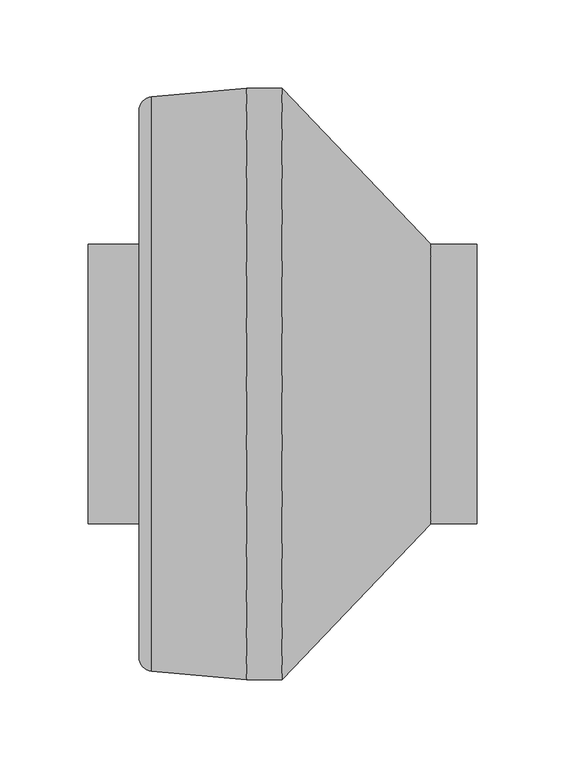
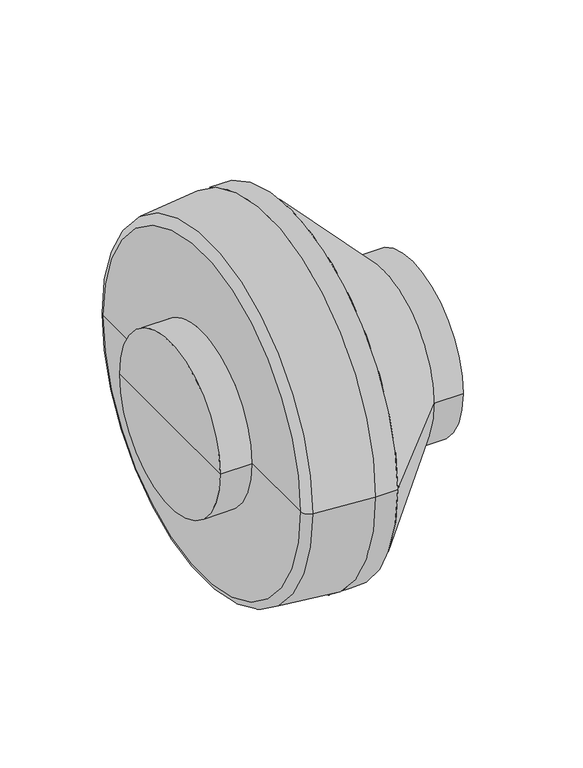
"""IFC4 building model written with IfcOpenShell, lengths in millimetres: proxy geometry."""

from ifc_helpers import new_model, si_unit, point, frame, origin, place, context, project, spatial, polyline, circle_curve, ellipse_curve, trimmed, source, transform, mapped, element, save
from ifc_brep_helpers import plane_surface, cylinder_surface, revolved_surface, advanced_brep


def mechanical_equipment_596ff99c(model_context):
    return source(origin(), model_context, "Body", "AdvancedBrep", [
        advanced_brep(
        [(-110.5, 0.0, 0.0), (-110.5, 79.5, 0.0), (-110.5, -79.5, 0.0), (110.5, -79.5, 0.0), (110.5, 79.5, 0.0), (110.5, 0.0, 0.0), (84.5, -79.5, 0.0), (84.5, 79.5, 0.0), (-74.3266251, -163.1706526, 0.0), (-74.3266251, 163.1706526, 0.0), (-20.375, 168.0856458, 0.0), (-20.375, -168.0856458, 0.0), (-81.5, -79.5, 0.0), (-81.5, 79.5, 0.0), (-81.5, 155.272008, 0.0), (-81.5, -155.272008, 0.0), (-0.2249669, -168.0856458, 0.0), (-0.2249669, 168.0856458, 0.0)],
        [
            (0, 1),
            (1, 2, circle_curve(frame((-110.5, 0.0, 0.0), z_axis=(-1.0, 0.0, 0.0), x_axis=(0.0, 1.0, 0.0)), 79.5)),
            (2, 0),
            (2, 1, circle_curve(frame((-110.5, 0.0, 0.0), z_axis=(-1.0, 0.0, 0.0), x_axis=(0.0, 1.0, 0.0)), 79.5)),
            (3, 4, circle_curve(frame((110.5, 0.0, 0.0), z_axis=(1.0, 0.0, 0.0), x_axis=(0.0, 1.0, 0.0)), 79.5)),
            (4, 5),
            (5, 3),
            (4, 3, circle_curve(frame((110.5, 0.0, 0.0), z_axis=(1.0, 0.0, 0.0), x_axis=(0.0, 1.0, 0.0)), 79.5)),
            (6, 7, circle_curve(frame((84.5, 0.0, 0.0), z_axis=(1.0, 0.0, 0.0), x_axis=(0.0, 1.0, 0.0)), 79.5)),
            (7, 4),
            (3, 6),
            (7, 6, circle_curve(frame((84.5, 0.0, 0.0), z_axis=(1.0, 0.0, 0.0), x_axis=(0.0, 1.0, 0.0)), 79.5)),
            (8, 9, circle_curve(frame((-74.3266251, 0.0, 0.0), z_axis=(1.0, 0.0, 0.0), x_axis=(0.0, 1.0, 0.0)), 163.1706526)),
            (9, 10),
            (10, 11, circle_curve(frame((-20.375, 0.0, 0.0), z_axis=(-1.0, 0.0, 0.0), x_axis=(0.0, 1.0, 0.0)), 168.0856458)),
            (11, 8),
            (9, 8, circle_curve(frame((-74.3266251, 0.0, 0.0), z_axis=(1.0, 0.0, 0.0), x_axis=(0.0, 1.0, 0.0)), 163.1706526)),
            (11, 10, circle_curve(frame((-20.375, 0.0, 0.0), z_axis=(-1.0, 0.0, 0.0), x_axis=(0.0, 1.0, 0.0)), 168.0856458)),
            (12, 13, circle_curve(frame((-81.5, 0.0, 0.0), z_axis=(1.0, 0.0, 0.0), x_axis=(0.0, 1.0, 0.0)), 79.5)),
            (13, 14),
            (14, 15, circle_curve(frame((-81.5, 0.0, 0.0), z_axis=(-1.0, 0.0, 0.0), x_axis=(0.0, 1.0, 0.0)), 155.272008)),
            (15, 12),
            (13, 12, circle_curve(frame((-81.5, 0.0, 0.0), z_axis=(1.0, 0.0, 0.0), x_axis=(0.0, 1.0, 0.0)), 79.5)),
            (15, 14, circle_curve(frame((-81.5, 0.0, 0.0), z_axis=(-1.0, 0.0, 0.0), x_axis=(0.0, 1.0, 0.0)), 155.272008)),
            (1, 13),
            (12, 2),
            (16, 17, circle_curve(frame((-0.2249669, 0.0, 0.0), z_axis=(1.0, 0.0, 0.0), x_axis=(0.0, 1.0, 0.0)), 168.0856458)),
            (17, 7),
            (6, 16),
            (17, 16, circle_curve(frame((-0.2249669, 0.0, 0.0), z_axis=(1.0, 0.0, 0.0), x_axis=(0.0, 1.0, 0.0)), 168.0856458)),
            (10, 17),
            (16, 11),
            (14, 9, circle_curve(frame((-73.5646909, 155.272008, 0.0), z_axis=(0.0, 0.0, -1.0), x_axis=(1.0, 0.0, 0.0)), 7.9353091)),
            (8, 15, circle_curve(frame((-73.5646909, -155.272008, 0.0), z_axis=(0.0, 0.0, -1.0), x_axis=(1.0, 0.0, 0.0)), 7.9353091)),
        ],
        [
            plane_surface(frame((-110.5, 0.0, 0.0), z_axis=(-1.0, 0.0, 0.0), x_axis=(0.0, 1.0, 0.0))),
            plane_surface(frame((110.5, 0.0, 0.0), z_axis=(1.0, 0.0, 0.0), x_axis=(0.0, 1.0, 0.0))),
            cylinder_surface(frame((2000.5, 0.0, 0.0), z_axis=(-1.0, 0.0, 0.0), x_axis=(0.0, 1.0, 0.0)), 79.5),
            revolved_surface(polyline([(-20.375, 168.0856458, 0.0), (-74.3266251, 163.1706526, 0.0)]), (2000.5, 0.0, 0.0), (-1.0, 0.0, 0.0)),
            plane_surface(frame((-81.5, 0.0, 0.0), z_axis=(-1.0, 0.0, 0.0), x_axis=(0.0, 1.0, 0.0))),
            revolved_surface(polyline([(84.5, 79.5, 0.0), (-0.2249669, 168.0856458, 0.0)]), (2000.5, 0.0, 0.0), (-1.0, 0.0, 0.0)),
            cylinder_surface(frame((2000.5, 0.0, 0.0), z_axis=(-1.0, 0.0, 0.0), x_axis=(0.0, 1.0, 0.0)), 168.0856458),
            revolved_surface(trimmed(ellipse_curve(frame((-73.5646909, 155.272008, 0.0), z_axis=(0.0, 0.0, 1.0), x_axis=(1.0, 0.0, 0.0)), 7.9353091, 7.9353091), [point((-74.3266251, 163.1706526, 0.0))], [point((-81.5, 155.272008, 0.0))], True, "CARTESIAN"), (2000.5, 0.0, 0.0), (-1.0, 0.0, 0.0)),
        ],
        [
            (0, [[1, 2, 3]]),
            (0, [[-3, 4, -1]]),
            (1, [[5, 6, 7]]),
            (1, [[8, -7, -6]]),
            (2, [[9, 10, -5, 11]]),
            (2, [[12, -11, -8, -10]]),
            (3, [[13, 14, 15, 16]]),
            (3, [[17, -16, 18, -14]]),
            (4, [[19, 20, 21, 22]]),
            (4, [[23, -22, 24, -20]]),
            (2, [[-2, 25, -19, 26]]),
            (2, [[-4, -26, -23, -25]]),
            (5, [[27, 28, -9, 29]]),
            (5, [[30, -29, -12, -28]]),
            (6, [[-15, 31, -27, 32]]),
            (6, [[-18, -32, -30, -31]]),
            (7, [[-21, 33, -13, 34]]),
            (7, [[-24, -34, -17, -33]]),
        ],
    ),
    ])


if __name__ == "__main__":
    model = new_model("IFC4")
    model_context = context("Model", 3, world=origin())
    ifc_project = project(units=[si_unit("LENGTHUNIT", "METRE", prefix="MILLI")], contexts=[model_context])
    site = spatial("IfcSite", under=ifc_project)
    building = spatial("IfcBuilding", under=site)
    placement = place(None, origin())
    mechanical_equipment_shape = mechanical_equipment_596ff99c(model_context)
    element("IfcBuildingElementProxy", 1, Name="Mechanical Equipment", at=placement, inside=building, context=model_context, shape_type="MappedRepresentation", body=[
        mapped(mechanical_equipment_shape, transform((0.0, 0.0, 0.0), x_axis=(1.0, 0.0, 0.0), y_axis=(0.0, 1.0, 0.0), z_axis=(0.0, 0.0, 1.0))),
    ])
    save(model, "model.ifc")
